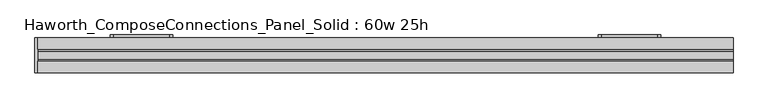
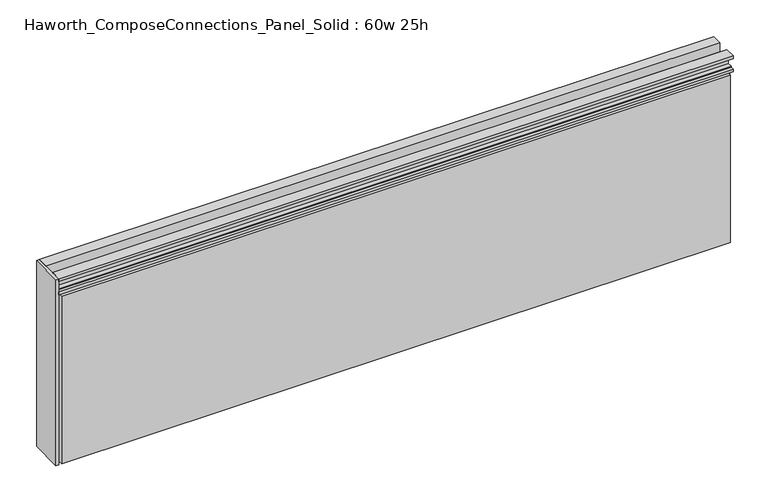
"""IFC4 building model written with IfcOpenShell, lengths in millimetres: furniture geometry, Haworth_ComposeConnections_Panel_Solid : 60w 25h."""

from ifc_helpers import new_model, si_unit, frame, origin, place, context, project, spatial, polyline, circle_curve, outline, extrude, source, transform, mapped, element, save
from ifc_brep_helpers import plane_surface, cylinder_surface, revolved_surface, advanced_brep


def haworth_composeconnections_panel_solid_60w_25h_bc5412bc(model_context):
    return source(origin(), model_context, "Body", "SolidModel", [
        advanced_brep(
        [(-594.4597098, 38.1, 546.1), (-600.8097098, 38.1, 539.75), (-600.8097098, 38.1, 412.75), (-594.4597098, 38.1, 406.4), (-470.6347098, 38.1, 406.4), (-464.2847098, 38.1, 412.75), (-464.2847098, 38.1, 539.75), (-470.6347098, 38.1, 546.1), (-594.4597098, 44.45, 546.1), (-470.6347098, 44.45, 546.1), (-464.2847098, 44.45, 539.75), (-464.2847098, 44.45, 412.75), (-470.6347098, 44.45, 406.4), (-594.4597098, 44.45, 406.4), (-600.8097098, 44.45, 412.75), (-600.8097098, 44.45, 539.75), (-581.7597098, 44.45, 533.4), (-588.1097098, 44.45, 527.05), (-588.1097098, 44.45, 488.95), (-581.7597098, 44.45, 482.6), (-483.3347098, 44.45, 482.6), (-476.9847098, 44.45, 488.95), (-476.9847098, 44.45, 527.05), (-483.3347098, 44.45, 533.4), (-581.7597098, 44.45, 469.9), (-588.1097098, 44.45, 463.55), (-588.1097098, 44.45, 425.45), (-581.7597098, 44.45, 419.1), (-507.1472098, 44.45, 419.1), (-500.7972098, 44.45, 425.45), (-500.7972098, 44.45, 463.55), (-507.1472098, 44.45, 469.9), (-581.7597098, 41.275, 533.4), (-483.3347098, 41.275, 533.4), (-476.9847098, 41.275, 527.05), (-476.9847098, 41.275, 488.95), (-483.3347098, 41.275, 482.6), (-581.7597098, 41.275, 482.6), (-588.1097098, 41.275, 488.95), (-588.1097098, 41.275, 527.05), (-581.7597098, 41.275, 469.9), (-507.1472098, 41.275, 469.9), (-500.7972098, 41.275, 463.55), (-500.7972098, 41.275, 425.45), (-507.1472098, 41.275, 419.1), (-581.7597098, 41.275, 419.1), (-588.1097098, 41.275, 425.45), (-588.1097098, 41.275, 463.55)],
        [
            (0, 1, circle_curve(frame((-594.4597098, 38.1, 539.75), z_axis=(0.0, -1.0, 0.0), x_axis=(1.0, 0.0, 0.0)), 6.35)),
            (1, 2),
            (2, 3, circle_curve(frame((-594.4597098, 38.1, 412.75), z_axis=(0.0, -1.0, 0.0), x_axis=(1.0, 0.0, 0.0)), 6.35)),
            (3, 4),
            (4, 5, circle_curve(frame((-470.6347098, 38.1, 412.75), z_axis=(0.0, -1.0, 0.0), x_axis=(1.0, 0.0, 0.0)), 6.35)),
            (5, 6),
            (6, 7, circle_curve(frame((-470.6347098, 38.1, 539.75), z_axis=(0.0, -1.0, 0.0), x_axis=(1.0, 0.0, 0.0)), 6.35)),
            (7, 0),
            (8, 9),
            (9, 10, circle_curve(frame((-470.6347098, 44.45, 539.75), z_axis=(0.0, 1.0, 0.0), x_axis=(1.0, 0.0, 0.0)), 6.35)),
            (10, 11),
            (11, 12, circle_curve(frame((-470.6347098, 44.45, 412.75), z_axis=(0.0, 1.0, 0.0), x_axis=(1.0, 0.0, 0.0)), 6.35)),
            (12, 13),
            (13, 14, circle_curve(frame((-594.4597098, 44.45, 412.75), z_axis=(0.0, 1.0, 0.0), x_axis=(1.0, 0.0, 0.0)), 6.35)),
            (14, 15),
            (15, 8, circle_curve(frame((-594.4597098, 44.45, 539.75), z_axis=(0.0, 1.0, 0.0), x_axis=(1.0, 0.0, 0.0)), 6.35)),
            (16, 17, circle_curve(frame((-581.7597098, 44.45, 527.05), z_axis=(0.0, -1.0, 0.0), x_axis=(1.0, 0.0, 0.0)), 6.35)),
            (17, 18),
            (18, 19, circle_curve(frame((-581.7597098, 44.45, 488.95), z_axis=(0.0, -1.0, 0.0), x_axis=(1.0, 0.0, 0.0)), 6.35)),
            (19, 20),
            (20, 21, circle_curve(frame((-483.3347098, 44.45, 488.95), z_axis=(0.0, -1.0, 0.0), x_axis=(1.0, 0.0, 0.0)), 6.35)),
            (21, 22),
            (22, 23, circle_curve(frame((-483.3347098, 44.45, 527.05), z_axis=(0.0, -1.0, 0.0), x_axis=(1.0, 0.0, 0.0)), 6.35)),
            (23, 16),
            (24, 25, circle_curve(frame((-581.7597098, 44.45, 463.55), z_axis=(0.0, -1.0, 0.0), x_axis=(1.0, 0.0, 0.0)), 6.35)),
            (25, 26),
            (26, 27, circle_curve(frame((-581.7597098, 44.45, 425.45), z_axis=(0.0, -1.0, 0.0), x_axis=(1.0, 0.0, 0.0)), 6.35)),
            (27, 28),
            (28, 29, circle_curve(frame((-507.1472098, 44.45, 425.45), z_axis=(0.0, -1.0, 0.0), x_axis=(1.0, 0.0, 0.0)), 6.35)),
            (29, 30),
            (30, 31, circle_curve(frame((-507.1472098, 44.45, 463.55), z_axis=(0.0, -1.0, 0.0), x_axis=(1.0, 0.0, 0.0)), 6.35)),
            (31, 24),
            (0, 8),
            (15, 1),
            (14, 2),
            (13, 3),
            (12, 4),
            (11, 5),
            (10, 6),
            (9, 7),
            (32, 33),
            (33, 34, circle_curve(frame((-483.3347098, 41.275, 527.05), z_axis=(0.0, 1.0, 0.0), x_axis=(1.0, 0.0, 0.0)), 6.35)),
            (34, 35),
            (35, 36, circle_curve(frame((-483.3347098, 41.275, 488.95), z_axis=(0.0, 1.0, 0.0), x_axis=(1.0, 0.0, 0.0)), 6.35)),
            (36, 37),
            (37, 38, circle_curve(frame((-581.7597098, 41.275, 488.95), z_axis=(0.0, 1.0, 0.0), x_axis=(1.0, 0.0, 0.0)), 6.35)),
            (38, 39),
            (39, 32, circle_curve(frame((-581.7597098, 41.275, 527.05), z_axis=(0.0, 1.0, 0.0), x_axis=(1.0, 0.0, 0.0)), 6.35)),
            (40, 41),
            (41, 42, circle_curve(frame((-507.1472098, 41.275, 463.55), z_axis=(0.0, 1.0, 0.0), x_axis=(1.0, 0.0, 0.0)), 6.35)),
            (42, 43),
            (43, 44, circle_curve(frame((-507.1472098, 41.275, 425.45), z_axis=(0.0, 1.0, 0.0), x_axis=(1.0, 0.0, 0.0)), 6.35)),
            (44, 45),
            (45, 46, circle_curve(frame((-581.7597098, 41.275, 425.45), z_axis=(0.0, 1.0, 0.0), x_axis=(1.0, 0.0, 0.0)), 6.35)),
            (46, 47),
            (47, 40, circle_curve(frame((-581.7597098, 41.275, 463.55), z_axis=(0.0, 1.0, 0.0), x_axis=(1.0, 0.0, 0.0)), 6.35)),
            (39, 17),
            (16, 32),
            (38, 18),
            (37, 19),
            (36, 20),
            (35, 21),
            (34, 22),
            (33, 23),
            (47, 25),
            (24, 40),
            (46, 26),
            (45, 27),
            (44, 28),
            (43, 29),
            (42, 30),
            (41, 31),
        ],
        [
            plane_surface(frame((-588.1097098, 38.1, 539.75), z_axis=(0.0, -1.0, 0.0), x_axis=(0.0, 0.0, 1.0))),
            plane_surface(frame((-588.1097098, 44.45, 539.75), z_axis=(0.0, 1.0, 0.0), x_axis=(0.0, 0.0, -1.0))),
            cylinder_surface(frame((-594.4597098, 44.45, 539.75), z_axis=(0.0, -1.0, 0.0), x_axis=(1.0, 0.0, 0.0)), 6.35),
            plane_surface(frame((-600.8097098, 38.1, 539.75), z_axis=(-1.0, 0.0, 0.0), x_axis=(0.0, 1.0, 0.0))),
            cylinder_surface(frame((-594.4597098, 44.45, 412.75), z_axis=(0.0, -1.0, 0.0), x_axis=(1.0, 0.0, 0.0)), 6.35),
            plane_surface(frame((-594.4597098, 38.1, 406.4), z_axis=(0.0, 0.0, -1.0), x_axis=(0.0, 1.0, 0.0))),
            cylinder_surface(frame((-470.6347098, 44.45, 412.75), z_axis=(0.0, -1.0, 0.0), x_axis=(1.0, 0.0, 0.0)), 6.35),
            plane_surface(frame((-464.2847098, 38.1, 412.75), z_axis=(1.0, 0.0, 0.0), x_axis=(0.0, 1.0, 0.0))),
            cylinder_surface(frame((-470.6347098, 44.45, 539.75), z_axis=(0.0, -1.0, 0.0), x_axis=(1.0, 0.0, 0.0)), 6.35),
            plane_surface(frame((-470.6347098, 38.1, 546.1), z_axis=(0.0, 0.0, 1.0), x_axis=(0.0, 1.0, 0.0))),
            plane_surface(frame((-575.4097098, 41.275, 527.05), z_axis=(0.0, 1.0, 0.0), x_axis=(0.0, 0.0, 1.0))),
            revolved_surface(polyline([(-575.4097098, 41.275, 527.05), (-575.4097098, 44.45, 527.05)]), (-581.7597098, 44.45, 527.05), (0.0, -1.0, 0.0)),
            plane_surface(frame((-588.1097098, 41.275, 527.05), z_axis=(1.0, 0.0, 0.0), x_axis=(0.0, 1.0, 0.0))),
            revolved_surface(polyline([(-575.4097098, 41.275, 488.95), (-575.4097098, 44.45, 488.95)]), (-581.7597098, 44.45, 488.95), (0.0, -1.0, 0.0)),
            plane_surface(frame((-581.7597098, 41.275, 482.6), z_axis=(0.0, 0.0, 1.0), x_axis=(0.0, 1.0, 0.0))),
            revolved_surface(polyline([(-476.98470979999996, 41.275, 488.95), (-476.98470979999996, 44.45, 488.95)]), (-483.3347098, 44.45, 488.95), (0.0, -1.0, 0.0)),
            plane_surface(frame((-476.9847098, 41.275, 488.95), z_axis=(-1.0, 0.0, 0.0), x_axis=(0.0, 1.0, 0.0))),
            revolved_surface(polyline([(-476.98470979999996, 41.275, 527.05), (-476.98470979999996, 44.45, 527.05)]), (-483.3347098, 44.45, 527.05), (0.0, -1.0, 0.0)),
            plane_surface(frame((-483.3347098, 41.275, 533.4), z_axis=(0.0, 0.0, -1.0), x_axis=(0.0, 1.0, 0.0))),
            revolved_surface(polyline([(-575.4097098, 41.275, 463.55), (-575.4097098, 44.45, 463.55)]), (-581.7597098, 44.45, 463.55), (0.0, -1.0, 0.0)),
            plane_surface(frame((-588.1097098, 41.275, 463.55), z_axis=(1.0, 0.0, 0.0), x_axis=(0.0, 1.0, 0.0))),
            revolved_surface(polyline([(-575.4097098, 41.275, 425.45), (-575.4097098, 44.45, 425.45)]), (-581.7597098, 44.45, 425.45), (0.0, -1.0, 0.0)),
            plane_surface(frame((-581.7597098, 41.275, 419.1), z_axis=(0.0, 0.0, 1.0), x_axis=(0.0, 1.0, 0.0))),
            revolved_surface(polyline([(-500.79720979999996, 41.275, 425.45), (-500.79720979999996, 44.45, 425.45)]), (-507.1472098, 44.45, 425.45), (0.0, -1.0, 0.0)),
            plane_surface(frame((-500.7972098, 41.275, 425.45), z_axis=(-1.0, 0.0, 0.0), x_axis=(0.0, 1.0, 0.0))),
            revolved_surface(polyline([(-500.79720979999996, 41.275, 463.55), (-500.79720979999996, 44.45, 463.55)]), (-507.1472098, 44.45, 463.55), (0.0, -1.0, 0.0)),
            plane_surface(frame((-507.1472098, 41.275, 469.9), z_axis=(0.0, 0.0, -1.0), x_axis=(0.0, 1.0, 0.0))),
        ],
        [
            (0, [[1, 2, 3, 4, 5, 6, 7, 8]]),
            (1, [[9, 10, 11, 12, 13, 14, 15, 16], [17, 18, 19, 20, 21, 22, 23, 24], [25, 26, 27, 28, 29, 30, 31, 32]]),
            (2, [[-1, 33, -16, 34]]),
            (3, [[-2, -34, -15, 35]]),
            (4, [[-3, -35, -14, 36]]),
            (5, [[-4, -36, -13, 37]]),
            (6, [[-5, -37, -12, 38]]),
            (7, [[-6, -38, -11, 39]]),
            (8, [[-7, -39, -10, 40]]),
            (9, [[-8, -40, -9, -33]]),
            (10, [[41, 42, 43, 44, 45, 46, 47, 48]]),
            (10, [[49, 50, 51, 52, 53, 54, 55, 56]]),
            (11, [[-48, 57, -17, 58]]),
            (12, [[-47, 59, -18, -57]]),
            (13, [[-46, 60, -19, -59]]),
            (14, [[-45, 61, -20, -60]]),
            (15, [[-44, 62, -21, -61]]),
            (16, [[-43, 63, -22, -62]]),
            (17, [[-42, 64, -23, -63]]),
            (18, [[-41, -58, -24, -64]]),
            (19, [[-56, 65, -25, 66]]),
            (20, [[-55, 67, -26, -65]]),
            (21, [[-54, 68, -27, -67]]),
            (22, [[-53, 69, -28, -68]]),
            (23, [[-52, 70, -29, -69]]),
            (24, [[-51, 71, -30, -70]]),
            (25, [[-50, 72, -31, -71]]),
            (26, [[-49, -66, -32, -72]]),
        ],
    ),
        advanced_brep(
        [(475.5152902, 38.1, 546.1), (469.1652902, 38.1, 539.75), (469.1652902, 38.1, 412.75), (475.5152902, 38.1, 406.4), (599.3402902, 38.1, 406.4), (605.6902902, 38.1, 412.75), (605.6902902, 38.1, 539.75), (599.3402902, 38.1, 546.1), (475.5152902, 44.45, 546.1), (599.3402902, 44.45, 546.1), (605.6902902, 44.45, 539.75), (605.6902902, 44.45, 412.75), (599.3402902, 44.45, 406.4), (475.5152902, 44.45, 406.4), (469.1652902, 44.45, 412.75), (469.1652902, 44.45, 539.75), (488.2152902, 44.45, 533.4), (481.8652902, 44.45, 527.05), (481.8652902, 44.45, 488.95), (488.2152902, 44.45, 482.6), (586.6402902, 44.45, 482.6), (592.9902902, 44.45, 488.95), (592.9902902, 44.45, 527.05), (586.6402902, 44.45, 533.4), (488.2152902, 44.45, 469.9), (481.8652902, 44.45, 463.55), (481.8652902, 44.45, 425.45), (488.2152902, 44.45, 419.1), (562.8277902, 44.45, 419.1), (569.1777902, 44.45, 425.45), (569.1777902, 44.45, 463.55), (562.8277902, 44.45, 469.9), (488.2152902, 41.275, 533.4), (586.6402902, 41.275, 533.4), (592.9902902, 41.275, 527.05), (592.9902902, 41.275, 488.95), (586.6402902, 41.275, 482.6), (488.2152902, 41.275, 482.6), (481.8652902, 41.275, 488.95), (481.8652902, 41.275, 527.05), (488.2152902, 41.275, 469.9), (562.8277902, 41.275, 469.9), (569.1777902, 41.275, 463.55), (569.1777902, 41.275, 425.45), (562.8277902, 41.275, 419.1), (488.2152902, 41.275, 419.1), (481.8652902, 41.275, 425.45), (481.8652902, 41.275, 463.55)],
        [
            (0, 1, circle_curve(frame((475.5152902, 38.1, 539.75), z_axis=(0.0, -1.0, 0.0), x_axis=(1.0, 0.0, 0.0)), 6.35)),
            (1, 2),
            (2, 3, circle_curve(frame((475.5152902, 38.1, 412.75), z_axis=(0.0, -1.0, 0.0), x_axis=(1.0, 0.0, 0.0)), 6.35)),
            (3, 4),
            (4, 5, circle_curve(frame((599.3402902, 38.1, 412.75), z_axis=(0.0, -1.0, 0.0), x_axis=(1.0, 0.0, 0.0)), 6.35)),
            (5, 6),
            (6, 7, circle_curve(frame((599.3402902, 38.1, 539.75), z_axis=(0.0, -1.0, 0.0), x_axis=(1.0, 0.0, 0.0)), 6.35)),
            (7, 0),
            (8, 9),
            (9, 10, circle_curve(frame((599.3402902, 44.45, 539.75), z_axis=(0.0, 1.0, 0.0), x_axis=(1.0, 0.0, 0.0)), 6.35)),
            (10, 11),
            (11, 12, circle_curve(frame((599.3402902, 44.45, 412.75), z_axis=(0.0, 1.0, 0.0), x_axis=(1.0, 0.0, 0.0)), 6.35)),
            (12, 13),
            (13, 14, circle_curve(frame((475.5152902, 44.45, 412.75), z_axis=(0.0, 1.0, 0.0), x_axis=(1.0, 0.0, 0.0)), 6.35)),
            (14, 15),
            (15, 8, circle_curve(frame((475.5152902, 44.45, 539.75), z_axis=(0.0, 1.0, 0.0), x_axis=(1.0, 0.0, 0.0)), 6.35)),
            (16, 17, circle_curve(frame((488.2152902, 44.45, 527.05), z_axis=(0.0, -1.0, 0.0), x_axis=(1.0, 0.0, 0.0)), 6.35)),
            (17, 18),
            (18, 19, circle_curve(frame((488.2152902, 44.45, 488.95), z_axis=(0.0, -1.0, 0.0), x_axis=(1.0, 0.0, 0.0)), 6.35)),
            (19, 20),
            (20, 21, circle_curve(frame((586.6402902, 44.45, 488.95), z_axis=(0.0, -1.0, 0.0), x_axis=(1.0, 0.0, 0.0)), 6.35)),
            (21, 22),
            (22, 23, circle_curve(frame((586.6402902, 44.45, 527.05), z_axis=(0.0, -1.0, 0.0), x_axis=(1.0, 0.0, 0.0)), 6.35)),
            (23, 16),
            (24, 25, circle_curve(frame((488.2152902, 44.45, 463.55), z_axis=(0.0, -1.0, 0.0), x_axis=(1.0, 0.0, 0.0)), 6.35)),
            (25, 26),
            (26, 27, circle_curve(frame((488.2152902, 44.45, 425.45), z_axis=(0.0, -1.0, 0.0), x_axis=(1.0, 0.0, 0.0)), 6.35)),
            (27, 28),
            (28, 29, circle_curve(frame((562.8277902, 44.45, 425.45), z_axis=(0.0, -1.0, 0.0), x_axis=(1.0, 0.0, 0.0)), 6.35)),
            (29, 30),
            (30, 31, circle_curve(frame((562.8277902, 44.45, 463.55), z_axis=(0.0, -1.0, 0.0), x_axis=(1.0, 0.0, 0.0)), 6.35)),
            (31, 24),
            (0, 8),
            (15, 1),
            (14, 2),
            (13, 3),
            (12, 4),
            (11, 5),
            (10, 6),
            (9, 7),
            (32, 33),
            (33, 34, circle_curve(frame((586.6402902, 41.275, 527.05), z_axis=(0.0, 1.0, 0.0), x_axis=(1.0, 0.0, 0.0)), 6.35)),
            (34, 35),
            (35, 36, circle_curve(frame((586.6402902, 41.275, 488.95), z_axis=(0.0, 1.0, 0.0), x_axis=(1.0, 0.0, 0.0)), 6.35)),
            (36, 37),
            (37, 38, circle_curve(frame((488.2152902, 41.275, 488.95), z_axis=(0.0, 1.0, 0.0), x_axis=(1.0, 0.0, 0.0)), 6.35)),
            (38, 39),
            (39, 32, circle_curve(frame((488.2152902, 41.275, 527.05), z_axis=(0.0, 1.0, 0.0), x_axis=(1.0, 0.0, 0.0)), 6.35)),
            (40, 41),
            (41, 42, circle_curve(frame((562.8277902, 41.275, 463.55), z_axis=(0.0, 1.0, 0.0), x_axis=(1.0, 0.0, 0.0)), 6.35)),
            (42, 43),
            (43, 44, circle_curve(frame((562.8277902, 41.275, 425.45), z_axis=(0.0, 1.0, 0.0), x_axis=(1.0, 0.0, 0.0)), 6.35)),
            (44, 45),
            (45, 46, circle_curve(frame((488.2152902, 41.275, 425.45), z_axis=(0.0, 1.0, 0.0), x_axis=(1.0, 0.0, 0.0)), 6.35)),
            (46, 47),
            (47, 40, circle_curve(frame((488.2152902, 41.275, 463.55), z_axis=(0.0, 1.0, 0.0), x_axis=(1.0, 0.0, 0.0)), 6.35)),
            (39, 17),
            (16, 32),
            (38, 18),
            (37, 19),
            (36, 20),
            (35, 21),
            (34, 22),
            (33, 23),
            (47, 25),
            (24, 40),
            (46, 26),
            (45, 27),
            (44, 28),
            (43, 29),
            (42, 30),
            (41, 31),
        ],
        [
            plane_surface(frame((481.8652902, 38.1, 539.75), z_axis=(0.0, -1.0, 0.0), x_axis=(0.0, 0.0, 1.0))),
            plane_surface(frame((481.8652902, 44.45, 539.75), z_axis=(0.0, 1.0, 0.0), x_axis=(0.0, 0.0, -1.0))),
            cylinder_surface(frame((475.5152902, 44.45, 539.75), z_axis=(0.0, -1.0, 0.0), x_axis=(1.0, 0.0, 0.0)), 6.35),
            plane_surface(frame((469.1652902, 38.1, 539.75), z_axis=(-1.0, 0.0, 0.0), x_axis=(0.0, 1.0, 0.0))),
            cylinder_surface(frame((475.5152902, 44.45, 412.75), z_axis=(0.0, -1.0, 0.0), x_axis=(1.0, 0.0, 0.0)), 6.35),
            plane_surface(frame((475.5152902, 38.1, 406.4), z_axis=(0.0, 0.0, -1.0), x_axis=(0.0, 1.0, 0.0))),
            cylinder_surface(frame((599.3402902, 44.45, 412.75), z_axis=(0.0, -1.0, 0.0), x_axis=(1.0, 0.0, 0.0)), 6.35),
            plane_surface(frame((605.6902902, 38.1, 412.75), z_axis=(1.0, 0.0, 0.0), x_axis=(0.0, 1.0, 0.0))),
            cylinder_surface(frame((599.3402902, 44.45, 539.75), z_axis=(0.0, -1.0, 0.0), x_axis=(1.0, 0.0, 0.0)), 6.35),
            plane_surface(frame((599.3402902, 38.1, 546.1), z_axis=(0.0, 0.0, 1.0), x_axis=(0.0, 1.0, 0.0))),
            plane_surface(frame((494.5652902, 41.275, 527.05), z_axis=(0.0, 1.0, 0.0), x_axis=(0.0, 0.0, 1.0))),
            revolved_surface(polyline([(494.56529020000005, 41.275, 527.05), (494.56529020000005, 44.45, 527.05)]), (488.2152902, 44.45, 527.05), (0.0, -1.0, 0.0)),
            plane_surface(frame((481.8652902, 41.275, 527.05), z_axis=(1.0, 0.0, 0.0), x_axis=(0.0, 1.0, 0.0))),
            revolved_surface(polyline([(494.56529020000005, 41.275, 488.95), (494.56529020000005, 44.45, 488.95)]), (488.2152902, 44.45, 488.95), (0.0, -1.0, 0.0)),
            plane_surface(frame((488.2152902, 41.275, 482.6), z_axis=(0.0, 0.0, 1.0), x_axis=(0.0, 1.0, 0.0))),
            revolved_surface(polyline([(592.9902902, 41.275, 488.95), (592.9902902, 44.45, 488.95)]), (586.6402902, 44.45, 488.95), (0.0, -1.0, 0.0)),
            plane_surface(frame((592.9902902, 41.275, 488.95), z_axis=(-1.0, 0.0, 0.0), x_axis=(0.0, 1.0, 0.0))),
            revolved_surface(polyline([(592.9902902, 41.275, 527.05), (592.9902902, 44.45, 527.05)]), (586.6402902, 44.45, 527.05), (0.0, -1.0, 0.0)),
            plane_surface(frame((586.6402902, 41.275, 533.4), z_axis=(0.0, 0.0, -1.0), x_axis=(0.0, 1.0, 0.0))),
            revolved_surface(polyline([(494.56529020000005, 41.275, 463.55), (494.56529020000005, 44.45, 463.55)]), (488.2152902, 44.45, 463.55), (0.0, -1.0, 0.0)),
            plane_surface(frame((481.8652902, 41.275, 463.55), z_axis=(1.0, 0.0, 0.0), x_axis=(0.0, 1.0, 0.0))),
            revolved_surface(polyline([(494.56529020000005, 41.275, 425.45), (494.56529020000005, 44.45, 425.45)]), (488.2152902, 44.45, 425.45), (0.0, -1.0, 0.0)),
            plane_surface(frame((488.2152902, 41.275, 419.1), z_axis=(0.0, 0.0, 1.0), x_axis=(0.0, 1.0, 0.0))),
            revolved_surface(polyline([(569.1777902, 41.275, 425.45), (569.1777902, 44.45, 425.45)]), (562.8277902, 44.45, 425.45), (0.0, -1.0, 0.0)),
            plane_surface(frame((569.1777902, 41.275, 425.45), z_axis=(-1.0, 0.0, 0.0), x_axis=(0.0, 1.0, 0.0))),
            revolved_surface(polyline([(569.1777902, 41.275, 463.55), (569.1777902, 44.45, 463.55)]), (562.8277902, 44.45, 463.55), (0.0, -1.0, 0.0)),
            plane_surface(frame((562.8277902, 41.275, 469.9), z_axis=(0.0, 0.0, -1.0), x_axis=(0.0, 1.0, 0.0))),
        ],
        [
            (0, [[1, 2, 3, 4, 5, 6, 7, 8]]),
            (1, [[9, 10, 11, 12, 13, 14, 15, 16], [17, 18, 19, 20, 21, 22, 23, 24], [25, 26, 27, 28, 29, 30, 31, 32]]),
            (2, [[-1, 33, -16, 34]]),
            (3, [[-2, -34, -15, 35]]),
            (4, [[-3, -35, -14, 36]]),
            (5, [[-4, -36, -13, 37]]),
            (6, [[-5, -37, -12, 38]]),
            (7, [[-6, -38, -11, 39]]),
            (8, [[-7, -39, -10, 40]]),
            (9, [[-8, -40, -9, -33]]),
            (10, [[41, 42, 43, 44, 45, 46, 47, 48]]),
            (10, [[49, 50, 51, 52, 53, 54, 55, 56]]),
            (11, [[-48, 57, -17, 58]]),
            (12, [[-47, 59, -18, -57]]),
            (13, [[-46, 60, -19, -59]]),
            (14, [[-45, 61, -20, -60]]),
            (15, [[-44, 62, -21, -61]]),
            (16, [[-43, 63, -22, -62]]),
            (17, [[-42, 64, -23, -63]]),
            (18, [[-41, -58, -24, -64]]),
            (19, [[-56, 65, -25, 66]]),
            (20, [[-55, 67, -26, -65]]),
            (21, [[-54, 68, -27, -67]]),
            (22, [[-53, 69, -28, -68]]),
            (23, [[-52, 70, -29, -69]]),
            (24, [[-51, 71, -30, -70]]),
            (25, [[-50, 72, -31, -71]]),
            (26, [[-49, -66, -32, -72]]),
        ],
    ),
        extrude(outline(polyline([(-38.1, 673.1), (-38.1, 679.45), (-13.5001003, 679.45), (-13.5001003, 657.6828071), (-8.7648475, 647.7), (8.7648498, 647.7), (13.5001026, 657.6828071), (13.5001026, 679.45), (38.1000023, 679.45), (38.1000023, 673.1), (30.6197023, 673.1), (30.6197023, 670.8139719), (19.6977019, 670.8139719), (19.6977019, 649.9860281), (30.6197023, 649.9860281), (30.6197023, 647.7), (38.1000011, 647.7), (38.1000011, 641.35), (-38.0999989, 641.35), (-38.0999989, 647.7), (-30.6197, 647.7), (-30.6197, 649.9860281), (-19.6976996, 649.9860281), (-19.6976996, 670.8139719), (-30.6197, 670.8139719), (-30.6197, 673.1), (-38.1, 673.1)])), frame((-759.5597098, 0.0, 0.0), z_axis=(1.0, 0.0, 0.0), x_axis=(0.0, 1.0, 0.0)), (0.0, 0.0, 1.0), 1524.0),
        extrude(outline(polyline([(-759.5597098, 38.1), (-759.5597098, -38.1), (-765.9097098, -38.1), (-765.9097098, 38.1), (-759.5597098, 38.1)])), frame((0.0, 0.0, 234.95), z_axis=(0.0, 0.0, 1.0), x_axis=(1.0, 0.0, 0.0)), (0.0, 0.0, 1.0), 444.5),
        extrude(outline(polyline([(764.4402902, -25.4), (-759.5597098, -25.4), (-759.5597098, 25.4), (764.4402902, 25.4), (764.4402902, -25.4)])), frame((0.0, 0.0, 234.95), z_axis=(0.0, 0.0, 1.0), x_axis=(1.0, 0.0, 0.0)), (0.0, 0.0, 1.0), 406.4),
        extrude(outline(polyline([(-753.2097098, -25.4), (758.0902902, -25.4), (758.0902902, -38.1), (-753.2097098, -38.1), (-753.2097098, -25.4)])), frame((0.0, 0.0, 234.95), z_axis=(0.0, 0.0, 1.0), x_axis=(1.0, 0.0, 0.0)), (0.0, 0.0, 1.0), 400.05),
        extrude(outline(polyline([(-753.2097098, 38.1), (758.0902902, 38.1), (758.0902902, 25.4), (-753.2097098, 25.4), (-753.2097098, 38.1)])), frame((0.0, 0.0, 234.95), z_axis=(0.0, 0.0, 1.0), x_axis=(1.0, 0.0, 0.0)), (0.0, 0.0, 1.0), 400.05),
    ])


if __name__ == "__main__":
    model = new_model("IFC4")
    model_context = context("Model", 3, world=origin())
    ifc_project = project(units=[si_unit("LENGTHUNIT", "METRE", prefix="MILLI")], contexts=[model_context])
    site = spatial("IfcSite", under=ifc_project)
    building = spatial("IfcBuilding", under=site)
    placement = place(None, origin())
    haworth_composeconnections_panel_solid_60w_25h_shape = haworth_composeconnections_panel_solid_60w_25h_bc5412bc(model_context)
    element("IfcFurniture", 1, ObjectType="Haworth_ComposeConnections_Panel_Solid : 60w 25h", at=placement, inside=building, context=model_context, shape_type="MappedRepresentation", body=[
        mapped(haworth_composeconnections_panel_solid_60w_25h_shape, transform((0.0, 0.0, 0.0), x_axis=(1.0, 0.0, 0.0), y_axis=(0.0, 1.0, 0.0), z_axis=(0.0, 0.0, 1.0))),
    ])
    save(model, "model.ifc")
